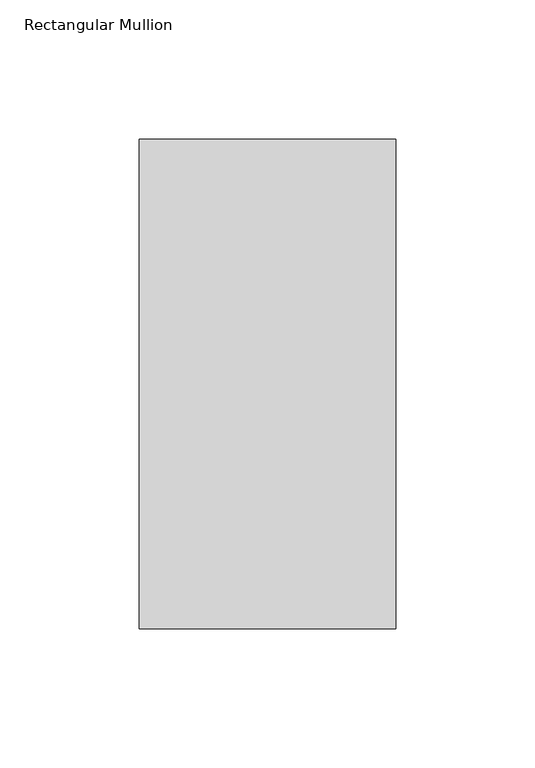
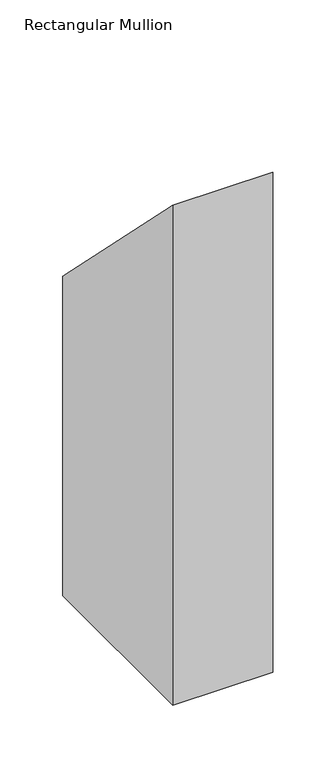
"""IFC4 building model written with IfcOpenShell, lengths in millimetres: member geometry, Rectangular Mullion."""

from ifc_helpers import new_model, si_unit, origin, place, context, project, spatial, faceted_brep, source, transform, mapped, element, save


def rectangular_mullion_266eabc1(model_context):
    return source(origin(), model_context, "Body", "Brep", [
        faceted_brep([(-0.0038138, 222.5508319, -533.4), (-0.0155642, 46.7574312, -533.4), (-92.090564, 46.7635857, -533.4), (-92.0788136, 222.5569864, -533.4), (-92.0788136, 222.5569864, -222.5569864), (-0.0038138, 222.5508319, -222.5508319), (-92.090564, 46.7635857, -46.7635857), (-0.0155642, 46.7574312, -46.7574312)], [[[0, 1, 2, 3]], [[4, 5, 0, 3]], [[6, 4, 3, 2]], [[7, 6, 2, 1]], [[5, 7, 1, 0]], [[5, 4, 6, 7]]]),
    ])


if __name__ == "__main__":
    model = new_model("IFC4")
    model_context = context("Model", 3, world=origin())
    ifc_project = project(units=[si_unit("LENGTHUNIT", "METRE", prefix="MILLI")], contexts=[model_context])
    site = spatial("IfcSite", under=ifc_project)
    building = spatial("IfcBuilding", under=site)
    placement = place(None, origin())
    rectangular_mullion_shape = rectangular_mullion_266eabc1(model_context)
    element("IfcMember", 1, ObjectType="Rectangular Mullion", at=placement, inside=building, context=model_context, shape_type="MappedRepresentation", body=[
        mapped(rectangular_mullion_shape, transform((0.0, 0.0, 0.0), x_axis=(1.0, 0.0, 0.0), y_axis=(0.0, 1.0, 0.0), z_axis=(0.0, 0.0, 1.0))),
    ])
    save(model, "model.ifc")
